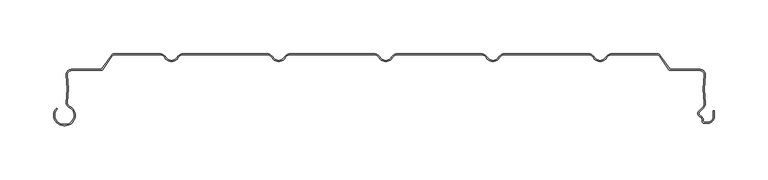
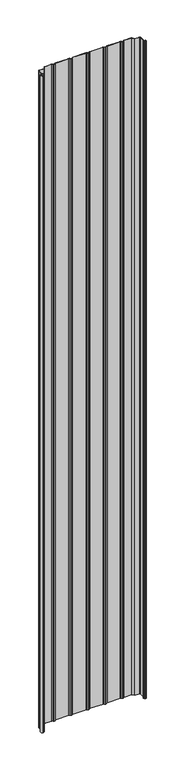
"""IFC4 building model written with IfcOpenShell, lengths in millimetres: plate geometry."""

import ifcopenshell
import ifcopenshell.guid

model = None  # the IFC model being written
_history = None  # IfcOwnerHistory: only IFC2X3 demands one
_inside = {}  # id of a spatial element -> (the spatial element, [elements in it])
_under = {}  # id of a project, library or spatial element -> (it, [spatial elements below it])
_declared = {}  # id of a project -> (the project, [libraries it declares])
_typed = {}  # id of a type object -> (the type object, [elements of that type])
_made_of = {}  # id of a material, layer set ... -> (it, [elements and type objects made of it])


def new_model(schema):
    """Start an empty IFC model of exactly this schema.

    Asked for "IFC4X3", IfcOpenShell would pick the latest addendum, in which some entities
    have other attributes; the version numbers below select the first issue.
    IFC2X3 requires an IfcOwnerHistory on every rooted entity: one is made here for all.
    """
    global model, _history
    if schema == "IFC4X3":
        model = ifcopenshell.file(schema_version=(4, 3, 0, 0))
    else:
        model = ifcopenshell.file(schema=schema)
    _inside.clear()
    _under.clear()
    _declared.clear()
    _typed.clear()
    _made_of.clear()
    _history = None
    if model.schema == "IFC2X3":
        org = make("IfcOrganization", Name="unknown")
        user = make(
            "IfcPersonAndOrganization",
            ThePerson=make("IfcPerson", FamilyName="unknown"),
            TheOrganization=org,
        )
        app = make(
            "IfcApplication",
            ApplicationDeveloper=org,
            Version="unknown",
            ApplicationFullName="unknown",
            ApplicationIdentifier="unknown",
        )
        _history = make(
            "IfcOwnerHistory",
            OwningUser=user,
            OwningApplication=app,
            ChangeAction="ADDED",
            CreationDate=0,
        )
    return model


def make(cls, **values):
    """One entity of the class cls with the attributes given. An attribute that is None is left unset."""
    return model.create_entity(
        cls, **{name: value for name, value in values.items() if value is not None}
    )


def rooted(cls, **values):
    """An entity with a GlobalId (a new one), such as an element, a storey or a relation."""
    return make(cls, GlobalId=ifcopenshell.guid.new(), OwnerHistory=_history, **values)


def si_unit(unit_type, name, prefix=None):
    """IfcSIUnit, for example si_unit("LENGTHUNIT", "METRE", prefix="MILLI")."""
    return make("IfcSIUnit", UnitType=unit_type, Prefix=prefix, Name=name)


def assignment(units):
    """IfcUnitAssignment: the units of a project."""
    return None if units is None else make("IfcUnitAssignment", Units=units)


def point(xyz):
    """IfcCartesianPoint."""
    return None if xyz is None else make("IfcCartesianPoint", Coordinates=xyz)


def direction(xyz):
    """IfcDirection."""
    return None if xyz is None else make("IfcDirection", DirectionRatios=xyz)


def frame(location, z_axis=None, x_axis=None):
    """IfcAxis2Placement3D, a coordinate frame: its origin and axes. An axis left out is left unset."""
    return make(
        "IfcAxis2Placement3D",
        Location=point(location),
        Axis=direction(z_axis),
        RefDirection=direction(x_axis),
    )


def frame_2d(location, x_axis=None):
    """IfcAxis2Placement2D, a coordinate frame in the plane: its origin and x axis."""
    return make(
        "IfcAxis2Placement2D", Location=point(location), RefDirection=direction(x_axis)
    )


def origin():
    """The frame at (0, 0, 0) with its axes left unset."""
    return frame((0.0, 0.0, 0.0))


def origin_with_axes():
    """The frame at (0, 0, 0) with the z axis (0, 0, 1) and the x axis (1, 0, 0) written out."""
    return frame((0.0, 0.0, 0.0), z_axis=(0.0, 0.0, 1.0), x_axis=(1.0, 0.0, 0.0))


def place(relative_to, where):
    """IfcLocalPlacement: puts the frame where relative to a parent placement (None: the world)."""
    return make(
        "IfcLocalPlacement", PlacementRelTo=relative_to, RelativePlacement=where
    )


def context(
    kind, dimensions, precision=None, world=None, true_north=None, identifier=None
):
    """IfcGeometricRepresentationContext, for example the 3D "Model" context."""
    return make(
        "IfcGeometricRepresentationContext",
        ContextIdentifier=identifier,
        ContextType=kind,
        CoordinateSpaceDimension=dimensions,
        Precision=precision,
        WorldCoordinateSystem=world,
        TrueNorth=true_north,
    )


def project(units=None, contexts=None):
    """IfcProject with its units and contexts."""
    return rooted(
        "IfcProject",
        Name="project",
        RepresentationContexts=contexts,
        UnitsInContext=assignment(units),
    )


def spatial(cls, under=None, at=None, **own):
    """A site, building, storey or space (cls), placed at a placement, below another one or the project."""
    s = rooted(cls, ObjectPlacement=at, **own)
    if under is not None:
        _under.setdefault(under.id(), (under, []))[1].append(s)
    return s


def polyline(points):
    """IfcPolyline through the points."""
    return make("IfcPolyline", Points=[point(p) for p in points])


def circle_curve(where, radius):
    """IfcCircle in the frame where."""
    return make("IfcCircle", Position=where, Radius=radius)


def trimmed(basis, trim1, trim2, sense, master):
    """IfcTrimmedCurve: the piece of a basis curve between two trims."""
    return make(
        "IfcTrimmedCurve",
        BasisCurve=basis,
        Trim1=trim1,
        Trim2=trim2,
        SenseAgreement=sense,
        MasterRepresentation=master,
    )


def segment(curve, same_sense, transition):
    """IfcCompositeCurveSegment."""
    return make(
        "IfcCompositeCurveSegment",
        Transition=transition,
        SameSense=same_sense,
        ParentCurve=curve,
    )


def composite_curve(segments, self_intersect=None):
    """IfcCompositeCurve: segments joined end to end."""
    return make("IfcCompositeCurve", Segments=segments, SelfIntersect=self_intersect)


def outline(outer, holes=None, kind="AREA"):
    """IfcArbitraryClosedProfileDef: a profile drawn as a closed curve; with holes, ...WithVoids."""
    if holes is None:
        return make("IfcArbitraryClosedProfileDef", ProfileType=kind, OuterCurve=outer)
    return make(
        "IfcArbitraryProfileDefWithVoids",
        ProfileType=kind,
        OuterCurve=outer,
        InnerCurves=holes,
    )


def extrude(swept, where, along, depth):
    """IfcExtrudedAreaSolid: the profile swept, set in the frame where, extruded along a direction by depth."""
    return make(
        "IfcExtrudedAreaSolid",
        SweptArea=swept,
        Position=where,
        ExtrudedDirection=direction(along),
        Depth=depth,
    )


def shape(context_of_items, identifier, shape_type, items):
    """IfcShapeRepresentation: the items that make up one representation, for example the "Body"."""
    return make(
        "IfcShapeRepresentation",
        ContextOfItems=context_of_items,
        RepresentationIdentifier=identifier,
        RepresentationType=shape_type,
        Items=items,
    )


def source(mapping_origin, context_of_items, identifier, shape_type, items):
    """IfcRepresentationMap: a shape defined once, which mapped items show again and again."""
    return make(
        "IfcRepresentationMap",
        MappingOrigin=mapping_origin,
        MappedRepresentation=shape(context_of_items, identifier, shape_type, items),
    )


def transform(
    local_origin,
    x_axis=None,
    y_axis=None,
    z_axis=None,
    scale=None,
    scale2=None,
    scale3=None,
    uniform=True,
):
    """IfcCartesianTransformationOperator3D, or its non-uniform kind. x_axis, y_axis, z_axis: its Axis1, 2, 3."""
    if uniform:
        return make(
            "IfcCartesianTransformationOperator3D",
            Axis1=direction(x_axis),
            Axis2=direction(y_axis),
            LocalOrigin=point(local_origin),
            Scale=scale,
            Axis3=direction(z_axis),
        )
    return make(
        "IfcCartesianTransformationOperator3DnonUniform",
        Axis1=direction(x_axis),
        Axis2=direction(y_axis),
        LocalOrigin=point(local_origin),
        Scale=scale,
        Axis3=direction(z_axis),
        Scale2=scale2,
        Scale3=scale3,
    )


def mapped(mapping_source, mapping_target):
    """IfcMappedItem: shows the shape of a source again, moved by a transform."""
    return make(
        "IfcMappedItem", MappingSource=mapping_source, MappingTarget=mapping_target
    )


def made_of(thing, what):
    """Note that an element or type object is made of a material, layer set ...; save() writes the relation."""
    if what is not None:
        _made_of.setdefault(what.id(), (what, []))[1].append(thing)
    return thing


def element(
    cls,
    number,
    at=None,
    inside=None,
    cuts=None,
    type_object=None,
    material=None,
    context=None,
    identifier="Body",
    shape_type=None,
    held_by="IfcProductDefinitionShape",
    body=None,
    shapes=None,
    **own,
):
    """One element of the class cls, such as IfcWall. Its Tag is "e" and its number.

    at: its placement. inside: the storey or other place that contains it. cuts: it is an
    opening in that element (IfcRelVoidsElement). A single representation is given by context,
    identifier, shape_type and body (its items); several are given by shapes. held_by: the class
    of the entity that holds the representations. save() writes the other relations.
    """
    e = rooted(cls, Tag="e%d" % number, ObjectPlacement=at, **own)
    if body is not None:
        shapes = [shape(context, identifier, shape_type, body)]
    if shapes is not None:
        e.Representation = make(held_by, Representations=shapes)
    if inside is not None:
        _inside.setdefault(inside.id(), (inside, []))[1].append(e)
    if cuts is not None:
        rooted(
            "IfcRelVoidsElement", RelatingBuildingElement=cuts, RelatedOpeningElement=e
        )
    if type_object is not None:
        _typed.setdefault(type_object.id(), (type_object, []))[1].append(e)
    return made_of(e, material)


def aggregate(whole, parts):
    """IfcRelAggregates: a whole, such as a stair, and the parts it consists of."""
    return rooted("IfcRelAggregates", RelatingObject=whole, RelatedObjects=parts)


def save(model, path):
    """Write the relations noted so far, then the file.

    IfcRelAggregates (storeys below a building ...), IfcRelContainedInSpatialStructure (elements
    in a storey), IfcRelDefinesByType, IfcRelAssociatesMaterial and IfcRelDeclares: one each for
    every whole, place, type object, material and project.
    """
    for whole, parts in _under.values():
        aggregate(whole, parts)
    for where, things in _inside.values():
        rooted(
            "IfcRelContainedInSpatialStructure",
            RelatedElements=things,
            RelatingStructure=where,
        )
    for kind, things in _typed.values():
        rooted("IfcRelDefinesByType", RelatedObjects=things, RelatingType=kind)
    for what, things in _made_of.values():
        rooted("IfcRelAssociatesMaterial", RelatedObjects=things, RelatingMaterial=what)
    for by, libraries in _declared.values():
        rooted("IfcRelDeclares", RelatingContext=by, RelatedDefinitions=libraries)
    model.write(path)


def plate_fc87b01f(model_context):
    return source(origin(), model_context, "Body", "SweptSolid", [
        extrude(outline(composite_curve([segment(polyline([(-300.5602537, -66.1554676), (-299.3062537, -66.1554676)]), True, "CONTINUOUS"), segment(trimmed(circle_curve(frame_2d((-299.3062537, -57.6554676)), 8.5), [point((-299.3062537, -66.1554676))], [point((-295.7922984, -49.9158218))], True, "CARTESIAN"), True, "CONTINUOUS"), segment(trimmed(circle_curve(frame_2d((-294.0973318, -46.1825808)), 4.1), [point((-295.7922984, -49.9158218))], [point((-298.1686298, -45.6982956))], False, "CARTESIAN"), True, "CONTINUOUS"), segment(trimmed(circle_curve(frame_2d((-396.8447949, -32.9207976)), 99.5), [point((-298.1686298, -45.6982956))], [point((-298.1747737, -20.0959415))], True, "CARTESIAN"), True, "CONTINUOUS"), segment(trimmed(circle_curve(frame_2d((-293.5139788, -19.4901443)), 4.7), [point((-298.1747737, -20.0959415))], [point((-293.5139788, -14.7901443))], False, "CARTESIAN"), True, "CONTINUOUS"), segment(polyline([(-293.5139788, -14.7901443), (-265.7970866, -14.7901443)]), True, "CONTINUOUS"), segment(trimmed(circle_curve(frame_2d((-265.7970866, -13.8401443)), 0.95), [point((-265.7970866, -14.7901443))], [point((-265.0188922, -14.3850419))], True, "CARTESIAN"), True, "CONTINUOUS"), segment(polyline([(-265.0188922, -14.3850419), (-256.3497269, -2.0041907)]), True, "CONTINUOUS"), segment(trimmed(circle_curve(frame_2d((-252.4997123, -4.7)), 4.7), [point((-256.3497269, -2.0041907))], [point((-252.4997123, 0.0))], False, "CARTESIAN"), True, "CONTINUOUS"), segment(polyline([(-252.4997123, 0.0), (-211.2583302, 0.0)]), True, "CONTINUOUS"), segment(trimmed(circle_curve(frame_2d((-211.2583302, -7.0)), 7.0), [point((-211.2583302, 0.0))], [point((-205.1961524, -3.5))], False, "CARTESIAN"), True, "CONTINUOUS"), segment(trimmed(circle_curve(frame_2d((-200.0, -0.5)), 6.0), [point((-205.1961524, -3.5))], [point((-200.0, -6.5))], True, "CARTESIAN"), True, "CONTINUOUS"), segment(trimmed(circle_curve(frame_2d((-200.0, -0.5)), 6.0), [point((-200.0, -6.5))], [point((-194.8038476, -3.5))], True, "CARTESIAN"), True, "CONTINUOUS"), segment(trimmed(circle_curve(frame_2d((-188.7416698, -7.0)), 7.0), [point((-194.8038476, -3.5))], [point((-188.7416698, 0.0))], False, "CARTESIAN"), True, "CONTINUOUS"), segment(polyline([(-188.7416698, 0.0), (-111.2583302, 0.0)]), True, "CONTINUOUS"), segment(trimmed(circle_curve(frame_2d((-111.2583302, -7.0)), 7.0), [point((-111.2583302, 0.0))], [point((-105.1961524, -3.5))], False, "CARTESIAN"), True, "CONTINUOUS"), segment(trimmed(circle_curve(frame_2d((-100.0, -0.5)), 6.0), [point((-105.1961524, -3.5))], [point((-100.0, -6.5))], True, "CARTESIAN"), True, "CONTINUOUS"), segment(trimmed(circle_curve(frame_2d((-100.0, -0.5)), 6.0), [point((-100.0, -6.5))], [point((-94.8038476, -3.5))], True, "CARTESIAN"), True, "CONTINUOUS"), segment(trimmed(circle_curve(frame_2d((-88.7416698, -7.0)), 7.0), [point((-94.8038476, -3.5))], [point((-88.7416698, 0.0))], False, "CARTESIAN"), True, "CONTINUOUS"), segment(polyline([(-88.7416698, 0.0), (-11.2583302, 0.0)]), True, "CONTINUOUS"), segment(trimmed(circle_curve(frame_2d((-11.2583302, -7.0)), 7.0), [point((-11.2583302, 0.0))], [point((-5.1961524, -3.5))], False, "CARTESIAN"), True, "CONTINUOUS"), segment(trimmed(circle_curve(frame_2d((0.0, -0.5)), 6.0), [point((-5.1961524, -3.5))], [point((0.0, -6.5))], True, "CARTESIAN"), True, "CONTINUOUS"), segment(trimmed(circle_curve(frame_2d((0.0, -0.5)), 6.0), [point((0.0, -6.5))], [point((5.1961524, -3.5))], True, "CARTESIAN"), True, "CONTINUOUS"), segment(trimmed(circle_curve(frame_2d((11.2583302, -7.0)), 7.0), [point((5.1961524, -3.5))], [point((11.2583302, 0.0))], False, "CARTESIAN"), True, "CONTINUOUS"), segment(polyline([(11.2583302, 0.0), (88.7416698, 0.0)]), True, "CONTINUOUS"), segment(trimmed(circle_curve(frame_2d((88.7416698, -7.0)), 7.0), [point((88.7416698, 0.0))], [point((94.8038476, -3.5))], False, "CARTESIAN"), True, "CONTINUOUS"), segment(trimmed(circle_curve(frame_2d((100.0, -0.5)), 6.0), [point((94.8038476, -3.5))], [point((100.0, -6.5))], True, "CARTESIAN"), True, "CONTINUOUS"), segment(trimmed(circle_curve(frame_2d((100.0, -0.5)), 6.0), [point((100.0, -6.5))], [point((105.1961524, -3.5))], True, "CARTESIAN"), True, "CONTINUOUS"), segment(trimmed(circle_curve(frame_2d((111.2583302, -7.0)), 7.0), [point((105.1961524, -3.5))], [point((111.2583302, 0.0))], False, "CARTESIAN"), True, "CONTINUOUS"), segment(polyline([(111.2583302, 0.0), (188.7416698, 0.0)]), True, "CONTINUOUS"), segment(trimmed(circle_curve(frame_2d((188.7416698, -7.0)), 7.0), [point((188.7416698, 0.0))], [point((194.8038476, -3.5))], False, "CARTESIAN"), True, "CONTINUOUS"), segment(trimmed(circle_curve(frame_2d((200.0, -0.5)), 6.0), [point((194.8038476, -3.5))], [point((200.0, -6.5))], True, "CARTESIAN"), True, "CONTINUOUS"), segment(trimmed(circle_curve(frame_2d((200.0, -0.5)), 6.0), [point((200.0, -6.5))], [point((205.1961524, -3.5))], True, "CARTESIAN"), True, "CONTINUOUS"), segment(trimmed(circle_curve(frame_2d((211.2583302, -7.0)), 7.0), [point((205.1961524, -3.5))], [point((211.2583302, 0.0))], False, "CARTESIAN"), True, "CONTINUOUS"), segment(polyline([(211.2583302, 0.0), (252.4997123, 0.0)]), True, "CONTINUOUS"), segment(trimmed(circle_curve(frame_2d((252.4997123, -4.7)), 4.7), [point((252.4997123, 0.0))], [point((256.3497269, -2.0041907))], False, "CARTESIAN"), True, "CONTINUOUS"), segment(polyline([(256.3497269, -2.0041907), (265.0188922, -14.3850419)]), True, "CONTINUOUS"), segment(trimmed(circle_curve(frame_2d((265.7970866, -13.8401443)), 0.95), [point((265.0188922, -14.3850419))], [point((265.7970866, -14.7901443))], True, "CARTESIAN"), True, "CONTINUOUS"), segment(polyline([(265.7970866, -14.7901443), (293.5139788, -14.7901443)]), True, "CONTINUOUS"), segment(trimmed(circle_curve(frame_2d((293.5139788, -19.4901443)), 4.7), [point((293.5139788, -14.7901443))], [point((298.1747737, -20.0959415))], False, "CARTESIAN"), True, "CONTINUOUS"), segment(trimmed(circle_curve(frame_2d((396.8447949, -32.9207976)), 99.5), [point((298.1747737, -20.0959415))], [point((298.261045, -46.3927784))], True, "CARTESIAN"), True, "CONTINUOUS"), segment(trimmed(circle_curve(frame_2d((293.6043252, -47.0291434)), 4.7), [point((298.261045, -46.3927784))], [point((296.927727, -50.3525452))], False, "CARTESIAN"), True, "CONTINUOUS"), segment(polyline([(296.927727, -50.3525452), (292.893169, -54.3871033)]), True, "CONTINUOUS"), segment(trimmed(circle_curve(frame_2d((294.4488039, -55.9427382)), 2.2), [point((292.893169, -54.3871033))], [point((293.6238714, -57.98222))], True, "CARTESIAN"), True, "CONTINUOUS"), segment(trimmed(circle_curve(frame_2d((292.0490001, -61.8757763)), 4.2), [point((293.6238714, -57.98222))], [point((296.2490002, -61.8757763))], False, "CARTESIAN"), True, "CONTINUOUS"), segment(polyline([(296.2490002, -61.8757763), (296.2490002, -63.0)]), True, "CONTINUOUS"), segment(trimmed(circle_curve(frame_2d((297.2490002, -63.0)), 1.0), [point((296.2490002, -63.0))], [point((297.2490002, -64.0))], True, "CARTESIAN"), True, "CONTINUOUS"), segment(polyline([(297.2490002, -64.0), (300.5500002, -64.0)]), True, "CONTINUOUS"), segment(trimmed(circle_curve(frame_2d((300.5500002, -58.8)), 5.2), [point((300.5500002, -64.0))], [point((305.7500002, -58.8))], True, "CARTESIAN"), True, "CONTINUOUS"), segment(polyline([(305.7500002, -58.8), (305.7500002, -53.169), (306.7500002, -53.169), (306.7500002, -58.8)]), True, "CONTINUOUS"), segment(trimmed(circle_curve(frame_2d((300.5500002, -58.8)), 6.2), [point((306.7500002, -58.8))], [point((300.5500002, -65.0))], False, "CARTESIAN"), True, "CONTINUOUS"), segment(polyline([(300.5500002, -65.0), (297.2490002, -65.0)]), True, "CONTINUOUS"), segment(trimmed(circle_curve(frame_2d((297.2490002, -63.0)), 2.0), [point((297.2490002, -65.0))], [point((295.2490002, -63.0))], False, "CARTESIAN"), True, "CONTINUOUS"), segment(polyline([(295.2490002, -63.0), (295.2490002, -61.8757763)]), True, "CONTINUOUS"), segment(trimmed(circle_curve(frame_2d((292.0490001, -61.8757763)), 3.2), [point((295.2490002, -61.8757763))], [point((293.248902, -58.9092572))], True, "CARTESIAN"), True, "CONTINUOUS"), segment(trimmed(circle_curve(frame_2d((294.4488039, -55.9427382)), 3.2), [point((293.248902, -58.9092572))], [point((292.1860622, -53.6799965))], False, "CARTESIAN"), True, "CONTINUOUS"), segment(polyline([(292.1860622, -53.6799965), (296.2206203, -49.6454384)]), True, "CONTINUOUS"), segment(trimmed(circle_curve(frame_2d((293.6043252, -47.0291434)), 3.7), [point((296.2206203, -49.6454384))], [point((297.2702536, -46.5281752))], True, "CARTESIAN"), True, "CONTINUOUS"), segment(trimmed(circle_curve(frame_2d((396.8447949, -32.9207976)), 100.5), [point((297.2702536, -46.5281752))], [point((297.1831152, -19.9670485))], False, "CARTESIAN"), True, "CONTINUOUS"), segment(trimmed(circle_curve(frame_2d((293.5139788, -19.4901443)), 3.7), [point((297.1831152, -19.9670485))], [point((293.5139788, -15.7901443))], True, "CARTESIAN"), True, "CONTINUOUS"), segment(polyline([(293.5139788, -15.7901443), (265.7970866, -15.7901443)]), True, "CONTINUOUS"), segment(trimmed(circle_curve(frame_2d((265.7970866, -13.8401443)), 1.95), [point((265.7970866, -15.7901443))], [point((264.1997401, -14.9586183))], False, "CARTESIAN"), True, "CONTINUOUS"), segment(polyline([(264.1997401, -14.9586183), (255.5305748, -2.5777672)]), True, "CONTINUOUS"), segment(trimmed(circle_curve(frame_2d((252.4997123, -4.7)), 3.7), [point((255.5305748, -2.5777672))], [point((252.4997123, -1.0))], True, "CARTESIAN"), True, "CONTINUOUS"), segment(polyline([(252.4997123, -1.0), (211.2583302, -1.0)]), True, "CONTINUOUS"), segment(trimmed(circle_curve(frame_2d((211.2583302, -7.0)), 6.0), [point((211.2583302, -1.0))], [point((206.0621778, -4.0))], True, "CARTESIAN"), True, "CONTINUOUS"), segment(trimmed(circle_curve(frame_2d((200.0, -0.5)), 7.0), [point((206.0621778, -4.0))], [point((200.0, -7.5))], False, "CARTESIAN"), True, "CONTINUOUS"), segment(trimmed(circle_curve(frame_2d((200.0, -0.5)), 7.0), [point((200.0, -7.5))], [point((193.9378222, -4.0))], False, "CARTESIAN"), True, "CONTINUOUS"), segment(trimmed(circle_curve(frame_2d((188.7416698, -7.0)), 6.0), [point((193.9378222, -4.0))], [point((188.7416698, -1.0))], True, "CARTESIAN"), True, "CONTINUOUS"), segment(polyline([(188.7416698, -1.0), (111.2583302, -1.0)]), True, "CONTINUOUS"), segment(trimmed(circle_curve(frame_2d((111.2583302, -7.0)), 6.0), [point((111.2583302, -1.0))], [point((106.0621778, -4.0))], True, "CARTESIAN"), True, "CONTINUOUS"), segment(trimmed(circle_curve(frame_2d((100.0, -0.5)), 7.0), [point((106.0621778, -4.0))], [point((100.0, -7.5))], False, "CARTESIAN"), True, "CONTINUOUS"), segment(trimmed(circle_curve(frame_2d((100.0, -0.5)), 7.0), [point((100.0, -7.5))], [point((93.9378222, -4.0))], False, "CARTESIAN"), True, "CONTINUOUS"), segment(trimmed(circle_curve(frame_2d((88.7416698, -7.0)), 6.0), [point((93.9378222, -4.0))], [point((88.7416698, -1.0))], True, "CARTESIAN"), True, "CONTINUOUS"), segment(polyline([(88.7416698, -1.0), (11.2583302, -1.0)]), True, "CONTINUOUS"), segment(trimmed(circle_curve(frame_2d((11.2583302, -7.0)), 6.0), [point((11.2583302, -1.0))], [point((6.0621778, -4.0))], True, "CARTESIAN"), True, "CONTINUOUS"), segment(trimmed(circle_curve(frame_2d((0.0, -0.5)), 7.0), [point((6.0621778, -4.0))], [point((0.0, -7.5))], False, "CARTESIAN"), True, "CONTINUOUS"), segment(trimmed(circle_curve(frame_2d((0.0, -0.5)), 7.0), [point((0.0, -7.5))], [point((-6.0621778, -4.0))], False, "CARTESIAN"), True, "CONTINUOUS"), segment(trimmed(circle_curve(frame_2d((-11.2583302, -7.0)), 6.0), [point((-6.0621778, -4.0))], [point((-11.2583302, -1.0))], True, "CARTESIAN"), True, "CONTINUOUS"), segment(polyline([(-11.2583302, -1.0), (-88.7416698, -1.0)]), True, "CONTINUOUS"), segment(trimmed(circle_curve(frame_2d((-88.7416698, -7.0)), 6.0), [point((-88.7416698, -1.0))], [point((-93.9378222, -4.0))], True, "CARTESIAN"), True, "CONTINUOUS"), segment(trimmed(circle_curve(frame_2d((-100.0, -0.5)), 7.0), [point((-93.9378222, -4.0))], [point((-100.0, -7.5))], False, "CARTESIAN"), True, "CONTINUOUS"), segment(trimmed(circle_curve(frame_2d((-100.0, -0.5)), 7.0), [point((-100.0, -7.5))], [point((-106.0621778, -4.0))], False, "CARTESIAN"), True, "CONTINUOUS"), segment(trimmed(circle_curve(frame_2d((-111.2583302, -7.0)), 6.0), [point((-106.0621778, -4.0))], [point((-111.2583302, -1.0))], True, "CARTESIAN"), True, "CONTINUOUS"), segment(polyline([(-111.2583302, -1.0), (-188.7416698, -1.0)]), True, "CONTINUOUS"), segment(trimmed(circle_curve(frame_2d((-188.7416698, -7.0)), 6.0), [point((-188.7416698, -1.0))], [point((-193.9378222, -4.0))], True, "CARTESIAN"), True, "CONTINUOUS"), segment(trimmed(circle_curve(frame_2d((-200.0, -0.5)), 7.0), [point((-193.9378222, -4.0))], [point((-200.0, -7.5))], False, "CARTESIAN"), True, "CONTINUOUS"), segment(trimmed(circle_curve(frame_2d((-200.0, -0.5)), 7.0), [point((-200.0, -7.5))], [point((-206.0621778, -4.0))], False, "CARTESIAN"), True, "CONTINUOUS"), segment(trimmed(circle_curve(frame_2d((-211.2583302, -7.0)), 6.0), [point((-206.0621778, -4.0))], [point((-211.2583302, -1.0))], True, "CARTESIAN"), True, "CONTINUOUS"), segment(polyline([(-211.2583302, -1.0), (-252.4997123, -1.0)]), True, "CONTINUOUS"), segment(trimmed(circle_curve(frame_2d((-252.4997123, -4.7)), 3.7), [point((-252.4997123, -1.0))], [point((-255.5305748, -2.5777672))], True, "CARTESIAN"), True, "CONTINUOUS"), segment(polyline([(-255.5305748, -2.5777672), (-264.1997401, -14.9586183)]), True, "CONTINUOUS"), segment(trimmed(circle_curve(frame_2d((-265.7970866, -13.8401443)), 1.95), [point((-264.1997401, -14.9586183))], [point((-265.7970866, -15.7901443))], False, "CARTESIAN"), True, "CONTINUOUS"), segment(polyline([(-265.7970866, -15.7901443), (-293.5139788, -15.7901443)]), True, "CONTINUOUS"), segment(trimmed(circle_curve(frame_2d((-293.5139788, -19.4901443)), 3.7), [point((-293.5139788, -15.7901443))], [point((-297.1831152, -19.9670485))], True, "CARTESIAN"), True, "CONTINUOUS"), segment(trimmed(circle_curve(frame_2d((-396.8447949, -32.9207976)), 100.5), [point((-297.1831152, -19.9670485))], [point((-297.1761952, -45.8211947))], False, "CARTESIAN"), True, "CONTINUOUS"), segment(trimmed(circle_curve(frame_2d((-294.0973318, -46.1825808)), 3.1), [point((-297.1761952, -45.8211947))], [point((-295.3788919, -49.0052752))], True, "CARTESIAN"), True, "CONTINUOUS"), segment(trimmed(circle_curve(frame_2d((-299.3062537, -57.6554676)), 9.5), [point((-295.3788919, -49.0052752))], [point((-299.3062537, -67.1554676))], False, "CARTESIAN"), True, "CONTINUOUS"), segment(polyline([(-299.3062537, -67.1554676), (-300.5602537, -67.1554676)]), True, "CONTINUOUS"), segment(trimmed(circle_curve(frame_2d((-300.5602537, -57.6554676)), 9.5), [point((-300.5602537, -67.1554676))], [point((-307.2777682, -50.9379532))], False, "CARTESIAN"), True, "CONTINUOUS"), segment(polyline([(-307.2777682, -50.9379532), (-306.5706614, -51.64506)]), True, "CONTINUOUS"), segment(trimmed(circle_curve(frame_2d((-300.5602537, -57.6554676)), 8.5), [point((-306.5706614, -51.64506))], [point((-300.5602537, -66.1554676))], True, "CARTESIAN"), True, "CONTINUOUS")], self_intersect=False)), origin_with_axes(), (0.0, 0.0, 1.0), 4061.7064475),
    ])


if __name__ == "__main__":
    model = new_model("IFC4")
    model_context = context("Model", 3, world=origin())
    ifc_project = project(units=[si_unit("LENGTHUNIT", "METRE", prefix="MILLI")], contexts=[model_context])
    site = spatial("IfcSite", under=ifc_project)
    building = spatial("IfcBuilding", under=site)
    placement = place(None, origin())
    plate_shape = plate_fc87b01f(model_context)
    element("IfcPlate", 1, at=placement, inside=building, context=model_context, shape_type="MappedRepresentation", body=[
        mapped(plate_shape, transform((0.0, 0.0, 0.0), x_axis=(1.0, 0.0, 0.0), y_axis=(0.0, 1.0, 0.0), z_axis=(0.0, 0.0, 1.0))),
    ])
    save(model, "model.ifc")
